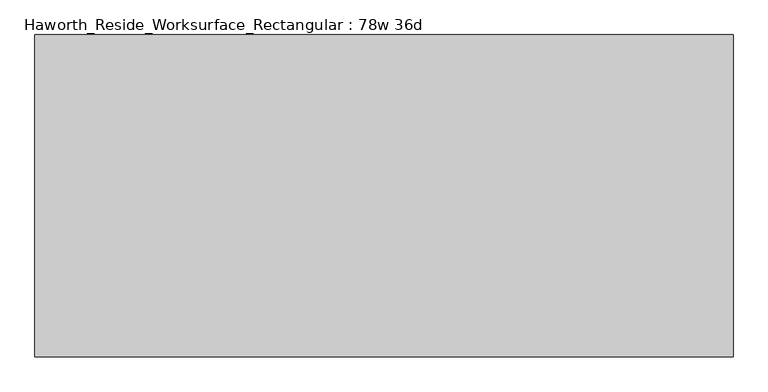
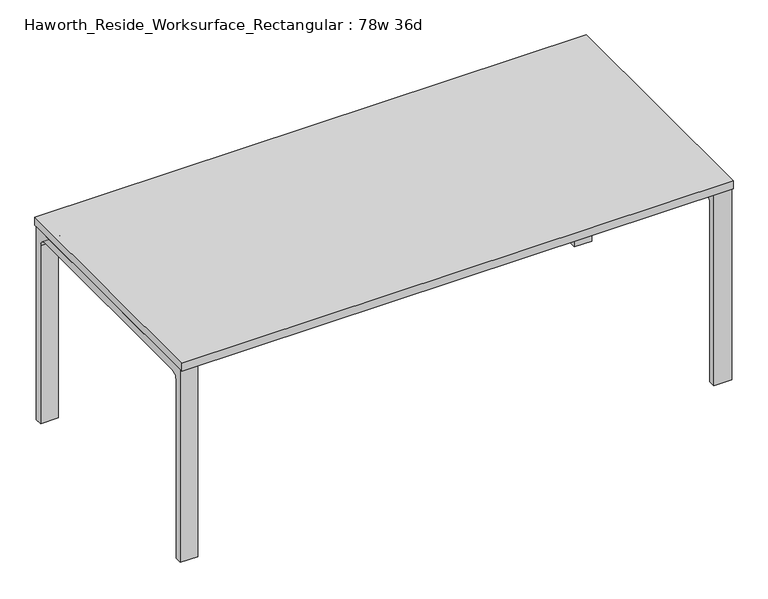
"""IFC4 building model written with IfcOpenShell, lengths in millimetres: furniture geometry, Haworth_Reside_Worksurface_Rectangular : 78w 36d."""

from ifc_helpers import new_model, si_unit, point, frame, frame_2d, origin, place, context, project, spatial, polyline, circle_curve, trimmed, segment, composite_curve, outline, extrude, source, transform, mapped, element, save


def haworth_reside_worksurface_rectangular_78w_36d_74d834ec(model_context):
    return source(origin(), model_context, "Body", "SweptSolid", [
        extrude(outline(composite_curve([segment(trimmed(circle_curve(frame_2d((396.875, 676.275)), 25.4), [point((422.275, 676.275))], [point((396.875, 701.675))], True, "CARTESIAN"), True, "CONTINUOUS"), segment(polyline([(396.875, 701.675), (-396.875, 701.675)]), True, "CONTINUOUS"), segment(trimmed(circle_curve(frame_2d((-396.875, 676.275)), 25.4), [point((-396.875, 701.675))], [point((-422.275, 676.275))], True, "CARTESIAN"), True, "CONTINUOUS"), segment(polyline([(-422.275, 676.275), (-422.275, 0.0), (-447.675, 0.0), (-447.675, 731.8375), (447.675, 731.8375), (447.675, 0.0), (422.275, 0.0), (422.275, 676.275)]), True, "CONTINUOUS")], self_intersect=False)), frame((927.1, 0.0, 0.0), z_axis=(1.0, 0.0, 0.0), x_axis=(0.0, 1.0, 0.0)), (0.0, 0.0, 1.0), 63.5),
        extrude(outline(composite_curve([segment(trimmed(circle_curve(frame_2d((396.875, 676.275)), 25.4), [point((422.275, 676.275))], [point((396.875, 701.675))], True, "CARTESIAN"), True, "CONTINUOUS"), segment(polyline([(396.875, 701.675), (-396.875, 701.675)]), True, "CONTINUOUS"), segment(trimmed(circle_curve(frame_2d((-396.875, 676.275)), 25.4), [point((-396.875, 701.675))], [point((-422.275, 676.275))], True, "CARTESIAN"), True, "CONTINUOUS"), segment(polyline([(-422.275, 676.275), (-422.275, 0.0), (-447.675, 0.0), (-447.675, 731.8375), (447.675, 731.8375), (447.675, 0.0), (422.275, 0.0), (422.275, 676.275)]), True, "CONTINUOUS")], self_intersect=False)), frame((-990.6, 0.0, 0.0), z_axis=(1.0, 0.0, 0.0), x_axis=(0.0, 1.0, 0.0)), (0.0, 0.0, 1.0), 63.5),
        extrude(outline(polyline([(990.6, 457.2), (990.6, -457.2), (-990.6, -457.2), (-990.6, 457.2), (990.6, 457.2)])), frame((0.0, 0.0, 731.8375), z_axis=(0.0, 0.0, 1.0), x_axis=(1.0, 0.0, 0.0)), (0.0, 0.0, 1.0), 30.1625),
    ])


if __name__ == "__main__":
    model = new_model("IFC4")
    model_context = context("Model", 3, world=origin())
    ifc_project = project(units=[si_unit("LENGTHUNIT", "METRE", prefix="MILLI")], contexts=[model_context])
    site = spatial("IfcSite", under=ifc_project)
    building = spatial("IfcBuilding", under=site)
    placement = place(None, origin())
    haworth_reside_worksurface_rectangular_78w_36d_shape = haworth_reside_worksurface_rectangular_78w_36d_74d834ec(model_context)
    element("IfcFurniture", 1, ObjectType="Haworth_Reside_Worksurface_Rectangular : 78w 36d", at=placement, inside=building, context=model_context, shape_type="MappedRepresentation", body=[
        mapped(haworth_reside_worksurface_rectangular_78w_36d_shape, transform((0.0, 0.0, 0.0), x_axis=(1.0, 0.0, 0.0), y_axis=(0.0, 1.0, 0.0), z_axis=(0.0, 0.0, 1.0))),
    ])
    save(model, "model.ifc")
